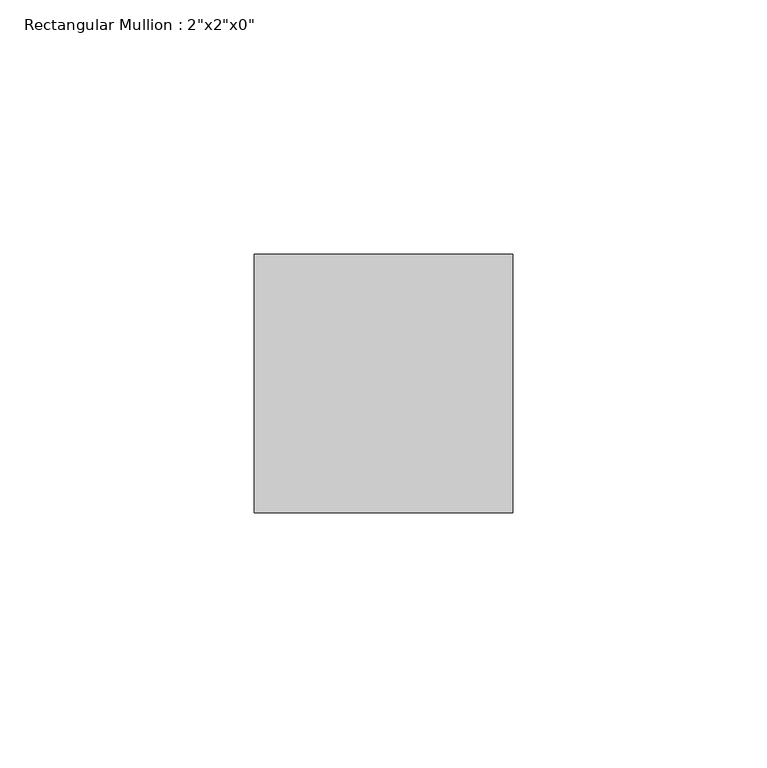
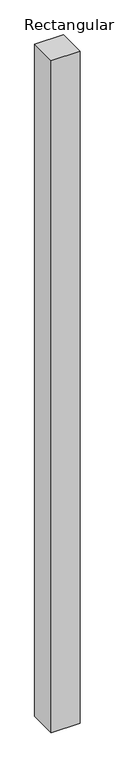
"""IFC4 building model written with IfcOpenShell, lengths in millimetres: member geometry."""

import ifcopenshell
import ifcopenshell.guid

model = None  # the IFC model being written
_history = None  # IfcOwnerHistory: only IFC2X3 demands one
_inside = {}  # id of a spatial element -> (the spatial element, [elements in it])
_under = {}  # id of a project, library or spatial element -> (it, [spatial elements below it])
_declared = {}  # id of a project -> (the project, [libraries it declares])
_typed = {}  # id of a type object -> (the type object, [elements of that type])
_made_of = {}  # id of a material, layer set ... -> (it, [elements and type objects made of it])


def new_model(schema):
    """Start an empty IFC model of exactly this schema.

    Asked for "IFC4X3", IfcOpenShell would pick the latest addendum, in which some entities
    have other attributes; the version numbers below select the first issue.
    IFC2X3 requires an IfcOwnerHistory on every rooted entity: one is made here for all.
    """
    global model, _history
    if schema == "IFC4X3":
        model = ifcopenshell.file(schema_version=(4, 3, 0, 0))
    else:
        model = ifcopenshell.file(schema=schema)
    _inside.clear()
    _under.clear()
    _declared.clear()
    _typed.clear()
    _made_of.clear()
    _history = None
    if model.schema == "IFC2X3":
        org = make("IfcOrganization", Name="unknown")
        user = make(
            "IfcPersonAndOrganization",
            ThePerson=make("IfcPerson", FamilyName="unknown"),
            TheOrganization=org,
        )
        app = make(
            "IfcApplication",
            ApplicationDeveloper=org,
            Version="unknown",
            ApplicationFullName="unknown",
            ApplicationIdentifier="unknown",
        )
        _history = make(
            "IfcOwnerHistory",
            OwningUser=user,
            OwningApplication=app,
            ChangeAction="ADDED",
            CreationDate=0,
        )
    return model


def make(cls, **values):
    """One entity of the class cls with the attributes given. An attribute that is None is left unset."""
    return model.create_entity(
        cls, **{name: value for name, value in values.items() if value is not None}
    )


def rooted(cls, **values):
    """An entity with a GlobalId (a new one), such as an element, a storey or a relation."""
    return make(cls, GlobalId=ifcopenshell.guid.new(), OwnerHistory=_history, **values)


def si_unit(unit_type, name, prefix=None):
    """IfcSIUnit, for example si_unit("LENGTHUNIT", "METRE", prefix="MILLI")."""
    return make("IfcSIUnit", UnitType=unit_type, Prefix=prefix, Name=name)


def assignment(units):
    """IfcUnitAssignment: the units of a project."""
    return None if units is None else make("IfcUnitAssignment", Units=units)


def point(xyz):
    """IfcCartesianPoint."""
    return None if xyz is None else make("IfcCartesianPoint", Coordinates=xyz)


def direction(xyz):
    """IfcDirection."""
    return None if xyz is None else make("IfcDirection", DirectionRatios=xyz)


def frame(location, z_axis=None, x_axis=None):
    """IfcAxis2Placement3D, a coordinate frame: its origin and axes. An axis left out is left unset."""
    return make(
        "IfcAxis2Placement3D",
        Location=point(location),
        Axis=direction(z_axis),
        RefDirection=direction(x_axis),
    )


def origin():
    """The frame at (0, 0, 0) with its axes left unset."""
    return frame((0.0, 0.0, 0.0))


def place(relative_to, where):
    """IfcLocalPlacement: puts the frame where relative to a parent placement (None: the world)."""
    return make(
        "IfcLocalPlacement", PlacementRelTo=relative_to, RelativePlacement=where
    )


def context(
    kind, dimensions, precision=None, world=None, true_north=None, identifier=None
):
    """IfcGeometricRepresentationContext, for example the 3D "Model" context."""
    return make(
        "IfcGeometricRepresentationContext",
        ContextIdentifier=identifier,
        ContextType=kind,
        CoordinateSpaceDimension=dimensions,
        Precision=precision,
        WorldCoordinateSystem=world,
        TrueNorth=true_north,
    )


def project(units=None, contexts=None):
    """IfcProject with its units and contexts."""
    return rooted(
        "IfcProject",
        Name="project",
        RepresentationContexts=contexts,
        UnitsInContext=assignment(units),
    )


def spatial(cls, under=None, at=None, **own):
    """A site, building, storey or space (cls), placed at a placement, below another one or the project."""
    s = rooted(cls, ObjectPlacement=at, **own)
    if under is not None:
        _under.setdefault(under.id(), (under, []))[1].append(s)
    return s


def polyline(points):
    """IfcPolyline through the points."""
    return make("IfcPolyline", Points=[point(p) for p in points])


def outline(outer, holes=None, kind="AREA"):
    """IfcArbitraryClosedProfileDef: a profile drawn as a closed curve; with holes, ...WithVoids."""
    if holes is None:
        return make("IfcArbitraryClosedProfileDef", ProfileType=kind, OuterCurve=outer)
    return make(
        "IfcArbitraryProfileDefWithVoids",
        ProfileType=kind,
        OuterCurve=outer,
        InnerCurves=holes,
    )


def extrude(swept, where, along, depth):
    """IfcExtrudedAreaSolid: the profile swept, set in the frame where, extruded along a direction by depth."""
    return make(
        "IfcExtrudedAreaSolid",
        SweptArea=swept,
        Position=where,
        ExtrudedDirection=direction(along),
        Depth=depth,
    )


def shape(context_of_items, identifier, shape_type, items):
    """IfcShapeRepresentation: the items that make up one representation, for example the "Body"."""
    return make(
        "IfcShapeRepresentation",
        ContextOfItems=context_of_items,
        RepresentationIdentifier=identifier,
        RepresentationType=shape_type,
        Items=items,
    )


def source(mapping_origin, context_of_items, identifier, shape_type, items):
    """IfcRepresentationMap: a shape defined once, which mapped items show again and again."""
    return make(
        "IfcRepresentationMap",
        MappingOrigin=mapping_origin,
        MappedRepresentation=shape(context_of_items, identifier, shape_type, items),
    )


def transform(
    local_origin,
    x_axis=None,
    y_axis=None,
    z_axis=None,
    scale=None,
    scale2=None,
    scale3=None,
    uniform=True,
):
    """IfcCartesianTransformationOperator3D, or its non-uniform kind. x_axis, y_axis, z_axis: its Axis1, 2, 3."""
    if uniform:
        return make(
            "IfcCartesianTransformationOperator3D",
            Axis1=direction(x_axis),
            Axis2=direction(y_axis),
            LocalOrigin=point(local_origin),
            Scale=scale,
            Axis3=direction(z_axis),
        )
    return make(
        "IfcCartesianTransformationOperator3DnonUniform",
        Axis1=direction(x_axis),
        Axis2=direction(y_axis),
        LocalOrigin=point(local_origin),
        Scale=scale,
        Axis3=direction(z_axis),
        Scale2=scale2,
        Scale3=scale3,
    )


def mapped(mapping_source, mapping_target):
    """IfcMappedItem: shows the shape of a source again, moved by a transform."""
    return make(
        "IfcMappedItem", MappingSource=mapping_source, MappingTarget=mapping_target
    )


def made_of(thing, what):
    """Note that an element or type object is made of a material, layer set ...; save() writes the relation."""
    if what is not None:
        _made_of.setdefault(what.id(), (what, []))[1].append(thing)
    return thing


def element(
    cls,
    number,
    at=None,
    inside=None,
    cuts=None,
    type_object=None,
    material=None,
    context=None,
    identifier="Body",
    shape_type=None,
    held_by="IfcProductDefinitionShape",
    body=None,
    shapes=None,
    **own,
):
    """One element of the class cls, such as IfcWall. Its Tag is "e" and its number.

    at: its placement. inside: the storey or other place that contains it. cuts: it is an
    opening in that element (IfcRelVoidsElement). A single representation is given by context,
    identifier, shape_type and body (its items); several are given by shapes. held_by: the class
    of the entity that holds the representations. save() writes the other relations.
    """
    e = rooted(cls, Tag="e%d" % number, ObjectPlacement=at, **own)
    if body is not None:
        shapes = [shape(context, identifier, shape_type, body)]
    if shapes is not None:
        e.Representation = make(held_by, Representations=shapes)
    if inside is not None:
        _inside.setdefault(inside.id(), (inside, []))[1].append(e)
    if cuts is not None:
        rooted(
            "IfcRelVoidsElement", RelatingBuildingElement=cuts, RelatedOpeningElement=e
        )
    if type_object is not None:
        _typed.setdefault(type_object.id(), (type_object, []))[1].append(e)
    return made_of(e, material)


def aggregate(whole, parts):
    """IfcRelAggregates: a whole, such as a stair, and the parts it consists of."""
    return rooted("IfcRelAggregates", RelatingObject=whole, RelatedObjects=parts)


def save(model, path):
    """Write the relations noted so far, then the file.

    IfcRelAggregates (storeys below a building ...), IfcRelContainedInSpatialStructure (elements
    in a storey), IfcRelDefinesByType, IfcRelAssociatesMaterial and IfcRelDeclares: one each for
    every whole, place, type object, material and project.
    """
    for whole, parts in _under.values():
        aggregate(whole, parts)
    for where, things in _inside.values():
        rooted(
            "IfcRelContainedInSpatialStructure",
            RelatedElements=things,
            RelatingStructure=where,
        )
    for kind, things in _typed.values():
        rooted("IfcRelDefinesByType", RelatedObjects=things, RelatingType=kind)
    for what, things in _made_of.values():
        rooted("IfcRelAssociatesMaterial", RelatedObjects=things, RelatingMaterial=what)
    for by, libraries in _declared.values():
        rooted("IfcRelDeclares", RelatingContext=by, RelatedDefinitions=libraries)
    model.write(path)


def member_7da1d2d2(model_context):
    return source(origin(), model_context, "Body", "SweptSolid", [
        extrude(outline(polyline([(25.4, 25.4), (25.4, -25.4), (-25.4, -25.4), (-25.4, 25.4), (25.4, 25.4)])), frame((0.0, 0.0, -1256.8515356), z_axis=(0.0, 0.0, 1.0), x_axis=(1.0, 0.0, 0.0)), (0.0, 0.0, 1.0), 1256.8515356),
    ])


if __name__ == "__main__":
    model = new_model("IFC4")
    model_context = context("Model", 3, world=origin())
    ifc_project = project(units=[si_unit("LENGTHUNIT", "METRE", prefix="MILLI")], contexts=[model_context])
    site = spatial("IfcSite", under=ifc_project)
    building = spatial("IfcBuilding", under=site)
    placement = place(None, origin())
    member_shape = member_7da1d2d2(model_context)
    element("IfcMember", 1, ObjectType="Rectangular Mullion : 2\"x2\"x0\"", at=placement, inside=building, context=model_context, shape_type="MappedRepresentation", body=[
        mapped(member_shape, transform((0.0, 0.0, 0.0), x_axis=(1.0, 0.0, 0.0), y_axis=(0.0, 1.0, 0.0), z_axis=(0.0, 0.0, 1.0))),
    ])
    save(model, "model.ifc")
